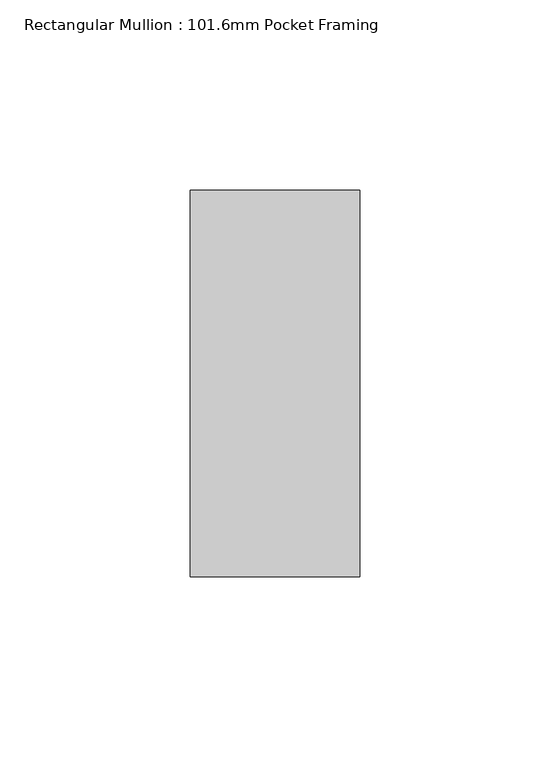
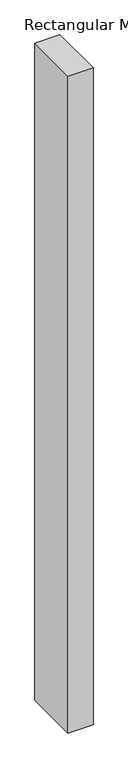
"""IFC4 building model written with IfcOpenShell, lengths in millimetres: member geometry, Rectangular Mullion : 101.6mm Pocket Framing."""

from ifc_helpers import new_model, si_unit, frame, origin, place, context, project, spatial, polyline, outline, extrude, source, transform, mapped, element, save


def rectangular_mullion_101_6mm_pocket_framing_d6b3073b(model_context):
    return source(origin(), model_context, "Body", "SweptSolid", [
        extrude(outline(polyline([(22.3, 50.8), (22.3, -50.8), (-22.2, -50.8), (-22.2, 50.8), (22.3, 50.8)])), frame((0.0, 0.0, -1233.3), z_axis=(0.0, 0.0, 1.0), x_axis=(1.0, 0.0, 0.0)), (0.0, 0.0, 1.0), 1233.3),
    ])


if __name__ == "__main__":
    model = new_model("IFC4")
    model_context = context("Model", 3, world=origin())
    ifc_project = project(units=[si_unit("LENGTHUNIT", "METRE", prefix="MILLI")], contexts=[model_context])
    site = spatial("IfcSite", under=ifc_project)
    building = spatial("IfcBuilding", under=site)
    placement = place(None, origin())
    rectangular_mullion_101_6mm_pocket_framing_shape = rectangular_mullion_101_6mm_pocket_framing_d6b3073b(model_context)
    element("IfcMember", 1, ObjectType="Rectangular Mullion : 101.6mm Pocket Framing", at=placement, inside=building, context=model_context, shape_type="MappedRepresentation", body=[
        mapped(rectangular_mullion_101_6mm_pocket_framing_shape, transform((0.0, 0.0, 0.0), x_axis=(1.0, 0.0, 0.0), y_axis=(0.0, 1.0, 0.0), z_axis=(0.0, 0.0, 1.0))),
    ])
    save(model, "model.ifc")
